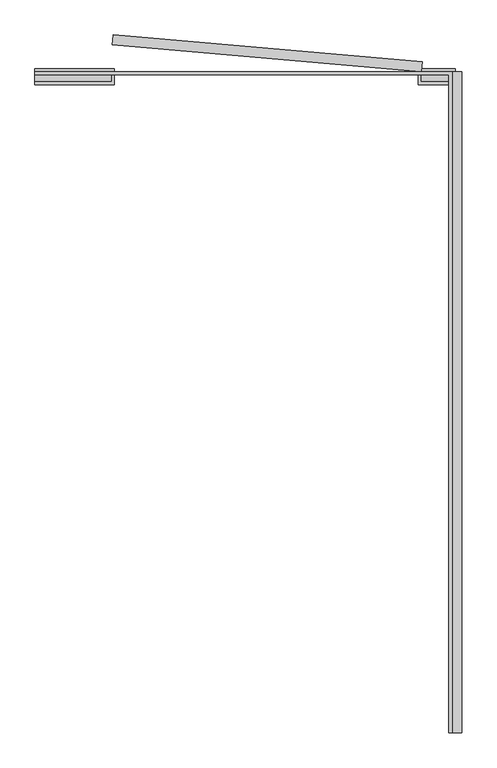
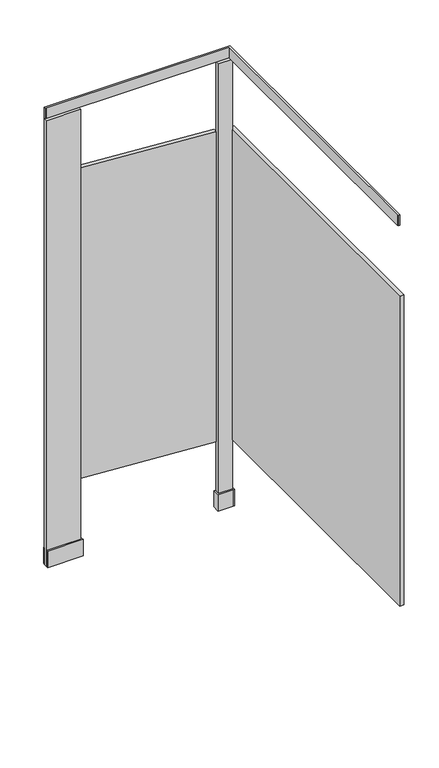
"""IFC4 building model written with IfcOpenShell, lengths in millimetres: proxy geometry."""

from ifc_helpers import new_model, si_unit, frame, origin, origin_with_axes, place, context, project, spatial, polyline, outline, extrude, source, transform, mapped, element, save


def generic_models_33c9c5e0(model_context):
    return source(origin(), model_context, "Body", "SweptSolid", [
        extrude(outline(polyline([(403.65, 55.0), (403.65, 61.35), (403.65, 1348.65), (-403.65, 1348.65), (-410.0, 1348.65), (-410.0, 1355.0), (410.0, 1355.0), (410.0, 55.0), (403.65, 55.0)])), frame((0.0, 0.0, 2082.8), z_axis=(0.0, 0.0, 1.0), x_axis=(1.0, 0.0, 0.0)), (0.0, 0.0, 1.0), 50.8),
        extrude(outline(polyline([(-260.0, 1355.0), (-410.0, 1355.0), (-410.0, 1361.35), (-253.65, 1361.35), (-253.65, 1355.0), (-253.65, 1335.95), (-253.65, 1329.6), (-410.0, 1329.6), (-410.0, 1335.95), (-260.0, 1335.95), (-260.0, 1355.0)])), origin_with_axes(), (0.0, 0.0, 1.0), 76.2),
        extrude(outline(polyline([(349.6, 1361.35), (410.0, 1361.35), (416.35, 1361.35), (416.35, 1329.6), (410.0, 1329.6), (343.25, 1329.6), (343.25, 1361.35), (349.6, 1361.35)]), holes=[polyline([(349.6, 1355.0), (349.6, 1335.95), (410.0, 1335.95), (410.0, 1355.0), (349.6, 1355.0)])]), origin_with_axes(), (0.0, 0.0, 1.0), 76.2),
        extrude(outline(polyline([(-256.0199711, 1427.1076498), (351.2603169, 1373.977509), (349.6, 1355.0), (-257.680288, 1408.1301408), (-256.0199711, 1427.1076498)])), frame((0.0, 0.0, 304.8), z_axis=(0.0, 0.0, 1.0), x_axis=(1.0, 0.0, 0.0)), (0.0, 0.0, 1.0), 1447.8),
        extrude(outline(polyline([(410.0, 1335.95), (349.6, 1335.95), (349.6, 1355.0), (410.0, 1355.0), (410.0, 1335.95)])), origin_with_axes(), (0.0, 0.0, 1.0), 2082.8),
        extrude(outline(polyline([(-260.0, 1335.95), (-410.0, 1335.95), (-410.0, 1355.0), (-260.0, 1355.0), (-260.0, 1335.95)])), origin_with_axes(), (0.0, 0.0, 1.0), 2082.8),
        extrude(outline(polyline([(429.05, 1355.0), (429.05, 55.0), (410.0, 55.0), (410.0, 1355.0), (429.05, 1355.0)])), frame((0.0, 0.0, 304.8), z_axis=(0.0, 0.0, 1.0), x_axis=(1.0, 0.0, 0.0)), (0.0, 0.0, 1.0), 1447.8),
    ])


if __name__ == "__main__":
    model = new_model("IFC4")
    model_context = context("Model", 3, world=origin())
    ifc_project = project(units=[si_unit("LENGTHUNIT", "METRE", prefix="MILLI")], contexts=[model_context])
    site = spatial("IfcSite", under=ifc_project)
    building = spatial("IfcBuilding", under=site)
    placement = place(None, origin())
    generic_models_shape = generic_models_33c9c5e0(model_context)
    element("IfcBuildingElementProxy", 1, Name="Generic Models", at=placement, inside=building, context=model_context, shape_type="MappedRepresentation", body=[
        mapped(generic_models_shape, transform((0.0, 0.0, 0.0), x_axis=(1.0, 0.0, 0.0), y_axis=(0.0, 1.0, 0.0), z_axis=(0.0, 0.0, 1.0))),
    ])
    save(model, "model.ifc")
